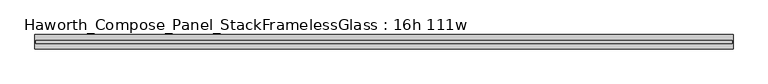
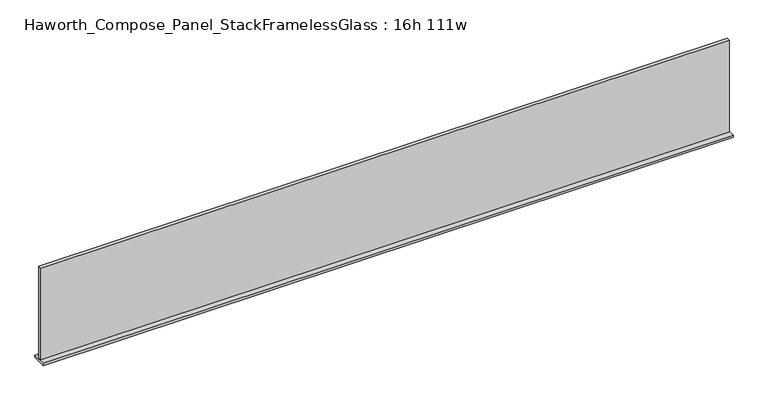
"""IFC4 building model written with IfcOpenShell, lengths in millimetres: furniture geometry, Haworth_Compose_Panel_StackFramelessGlass : 16h 111w."""

from ifc_helpers import new_model, si_unit, frame, origin, place, context, project, spatial, polyline, outline, extrude, source, transform, mapped, element, save


def haworth_compose_panel_stackframelessglass_16h_111w_ecbe1dca(model_context):
    return source(origin(), model_context, "Body", "SweptSolid", [
        extrude(outline(polyline([(1408.9652902, -27.3093594), (-1404.0847098, -27.3093594), (-1404.0847098, -14.6093594), (1408.9652902, -14.6093594), (1408.9652902, -27.3093594)])), frame((0.0, 0.0, 1279.525), z_axis=(0.0, 0.0, 1.0), x_axis=(1.0, 0.0, 0.0)), (0.0, 0.0, 1.0), 396.875),
        extrude(outline(polyline([(-1407.2597098, -50.3281094), (-1407.2597098, 8.4093906), (1412.1402902, 8.4093906), (1412.1402902, -50.3281094), (-1407.2597098, -50.3281094)])), frame((0.0, 0.0, 1270.0), z_axis=(0.0, 0.0, 1.0), x_axis=(1.0, 0.0, 0.0)), (0.0, 0.0, 1.0), 9.525),
    ])


if __name__ == "__main__":
    model = new_model("IFC4")
    model_context = context("Model", 3, world=origin())
    ifc_project = project(units=[si_unit("LENGTHUNIT", "METRE", prefix="MILLI")], contexts=[model_context])
    site = spatial("IfcSite", under=ifc_project)
    building = spatial("IfcBuilding", under=site)
    placement = place(None, origin())
    haworth_compose_panel_stackframelessglass_16h_111w_shape = haworth_compose_panel_stackframelessglass_16h_111w_ecbe1dca(model_context)
    element("IfcFurniture", 1, ObjectType="Haworth_Compose_Panel_StackFramelessGlass : 16h 111w", at=placement, inside=building, context=model_context, shape_type="MappedRepresentation", body=[
        mapped(haworth_compose_panel_stackframelessglass_16h_111w_shape, transform((0.0, 0.0, 0.0), x_axis=(1.0, 0.0, 0.0), y_axis=(0.0, 1.0, 0.0), z_axis=(0.0, 0.0, 1.0))),
    ])
    save(model, "model.ifc")
